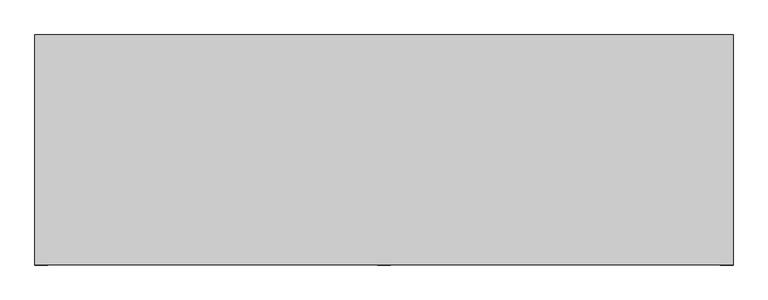
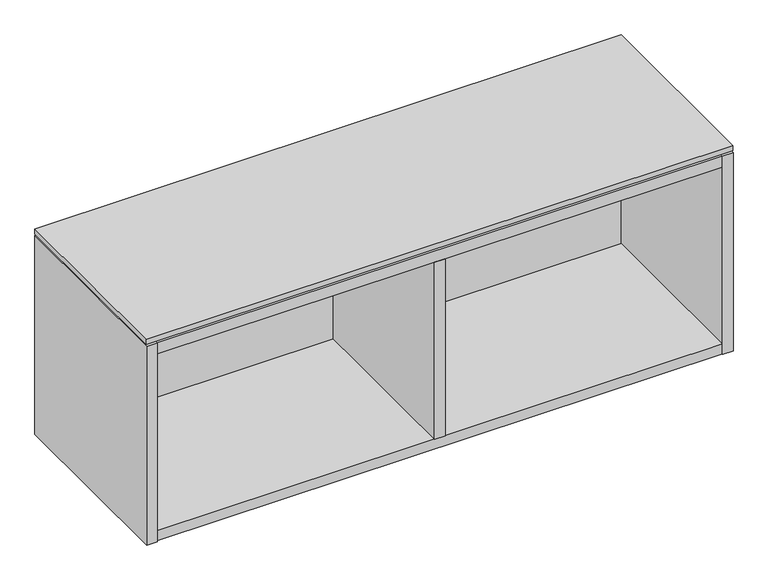
"""IFC4 building model written with IfcOpenShell, lengths in millimetres: furniture geometry."""

from ifc_helpers import new_model, si_unit, frame, origin, place, context, project, spatial, polyline, outline, extrude, faceted_brep, source, transform, mapped, element, save


def furniture_fa17b6fe(model_context):
    return source(origin(), model_context, "Body", "SolidModel", [
        extrude(outline(polyline([(606.6234375, -191.0115724), (-457.2, -191.0115724), (-457.2, 158.8226276), (606.6234375, 158.8226276), (606.6234375, -191.0115724)])), frame((0.0, 0.0, 562.102), z_axis=(0.0, 0.0, 1.0), x_axis=(1.0, 0.0, 0.0)), (0.0, 0.0, 1.0), 9.779),
        extrude(outline(polyline([(-437.896, 145.5282676), (-437.896, 158.8226276), (587.3194375, 158.8226276), (587.3194375, 145.5282676), (-437.896, 145.5282676)])), frame((0.0, 0.0, 460.91475), z_axis=(0.0, 0.0, 1.0), x_axis=(1.0, 0.0, 0.0)), (0.0, 0.0, 1.0), 76.2),
        extrude(outline(polyline([(84.3637187, -191.7735724), (65.0597187, -191.7735724), (65.0597187, 126.2242676), (84.3637187, 126.2242676), (84.3637187, -191.7735724)])), frame((0.0, 0.0, 197.866), z_axis=(0.0, 0.0, 1.0), x_axis=(1.0, 0.0, 0.0)), (0.0, 0.0, 1.0), 339.24875),
        faceted_brep([(587.3194375, -191.0115724, 197.866), (-437.896, -191.0115724, 197.866), (-437.896, -191.0115724, 178.562), (587.3194375, -191.0115724, 178.562), (-437.896, 145.5282676, 537.11475), (587.3194375, 145.5282676, 537.11475), (587.3194375, 145.5282676, 177.8), (-437.896, 145.5282676, 177.8), (587.3194375, 126.2242676, 197.866), (-437.896, 126.2242676, 197.866), (-437.896, 126.2242676, 178.562), (587.3194375, 126.2242676, 178.562), (-437.896, 158.8226276, 558.8), (-457.2, 158.8226276, 558.8), (-457.2, -191.7735724, 558.8), (-437.896, -191.7735724, 558.8), (587.3194375, -191.7735724, 558.8), (606.6234375, -191.7735724, 558.8), (606.6234375, 158.8226276, 558.8), (587.3194375, 158.8226276, 558.8), (-437.896, -191.7735724, 177.8), (-457.2, -191.7735724, 177.8), (-457.2, 158.8226276, 177.8), (-437.896, 158.8226276, 177.8), (587.3194375, 158.8226276, 177.8), (606.6234375, 158.8226276, 177.8), (606.6234375, -191.7735724, 177.8), (587.3194375, -191.7735724, 177.8), (587.3194375, 126.2242676, 177.8), (-437.896, 126.2242676, 177.8), (-437.896, 158.8226276, 558.038), (587.3194375, 158.8226276, 558.038), (587.3194375, 158.8226276, 537.11475), (-437.896, 158.8226276, 537.11475), (-437.896, 126.2242676, 537.11475), (-437.896, -191.0115724, 537.11475), (-437.896, -191.0115724, 558.038), (587.3194375, -191.0115724, 558.038), (587.3194375, -191.0115724, 537.11475), (587.3194375, 126.2242676, 537.11475)], [[[0, 1, 2, 3]], [[4, 5, 6, 7]], [[1, 0, 8, 9]], [[3, 2, 10, 11]], [[12, 13, 14, 15]], [[16, 17, 18, 19]], [[20, 21, 22, 23, 7, 6, 24, 25, 26, 27, 28, 29]], [[13, 12, 30, 31, 19, 18, 25, 24, 32, 33, 23, 22]], [[14, 13, 22, 21]], [[15, 14, 21, 20]], [[4, 7, 23, 33]], [[12, 15, 20, 29, 10, 2, 1, 9, 34, 35, 36, 30]], [[6, 5, 32, 24]], [[16, 19, 31, 37, 38, 39, 8, 0, 3, 11, 28, 27]], [[17, 16, 27, 26]], [[18, 17, 26, 25]], [[37, 36, 35, 38]], [[36, 37, 31, 30]], [[33, 32, 5, 4]], [[38, 35, 34, 39]], [[9, 8, 39, 34]], [[29, 28, 11, 10]]]),
    ])


if __name__ == "__main__":
    model = new_model("IFC4")
    model_context = context("Model", 3, world=origin())
    ifc_project = project(units=[si_unit("LENGTHUNIT", "METRE", prefix="MILLI")], contexts=[model_context])
    site = spatial("IfcSite", under=ifc_project)
    building = spatial("IfcBuilding", under=site)
    placement = place(None, origin())
    furniture_shape = furniture_fa17b6fe(model_context)
    element("IfcFurniture", 1, at=placement, inside=building, context=model_context, shape_type="MappedRepresentation", body=[
        mapped(furniture_shape, transform((0.0, 0.0, 0.0), x_axis=(1.0, 0.0, 0.0), y_axis=(0.0, 1.0, 0.0), z_axis=(0.0, 0.0, 1.0))),
    ])
    save(model, "model.ifc")
